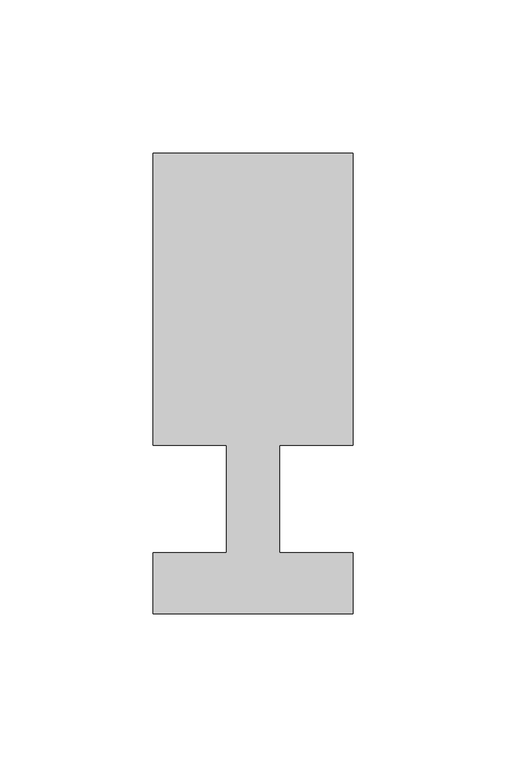
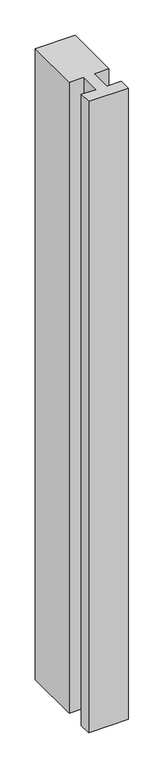
"""IFC4 building model written with IfcOpenShell, lengths in millimetres: member geometry."""

from ifc_helpers import new_model, si_unit, frame, origin, place, context, project, spatial, polyline, outline, extrude, source, transform, mapped, element, save


def member_f7f0e459(model_context):
    return source(origin(), model_context, "Body", "SweptSolid", [
        extrude(outline(polyline([(0.0, -37.0), (-65.0, -37.0), (-65.0, -17.0), (-41.1875, -17.0), (-41.1875, 18.0), (-65.0, 18.0), (-65.0, 113.0), (0.0, 113.0), (0.0, 18.0), (-23.8125, 18.0), (-23.8125, -17.0), (0.0, -17.0), (0.0, -37.0)])), frame((0.0, 0.0, -1087.5), z_axis=(0.0, 0.0, 1.0), x_axis=(1.0, 0.0, 0.0)), (0.0, 0.0, 1.0), 1087.5),
    ])


if __name__ == "__main__":
    model = new_model("IFC4")
    model_context = context("Model", 3, world=origin())
    ifc_project = project(units=[si_unit("LENGTHUNIT", "METRE", prefix="MILLI")], contexts=[model_context])
    site = spatial("IfcSite", under=ifc_project)
    building = spatial("IfcBuilding", under=site)
    placement = place(None, origin())
    member_shape = member_f7f0e459(model_context)
    element("IfcMember", 1, at=placement, inside=building, context=model_context, shape_type="MappedRepresentation", body=[
        mapped(member_shape, transform((0.0, 0.0, 0.0), x_axis=(1.0, 0.0, 0.0), y_axis=(0.0, 1.0, 0.0), z_axis=(0.0, 0.0, 1.0))),
    ])
    save(model, "model.ifc")
